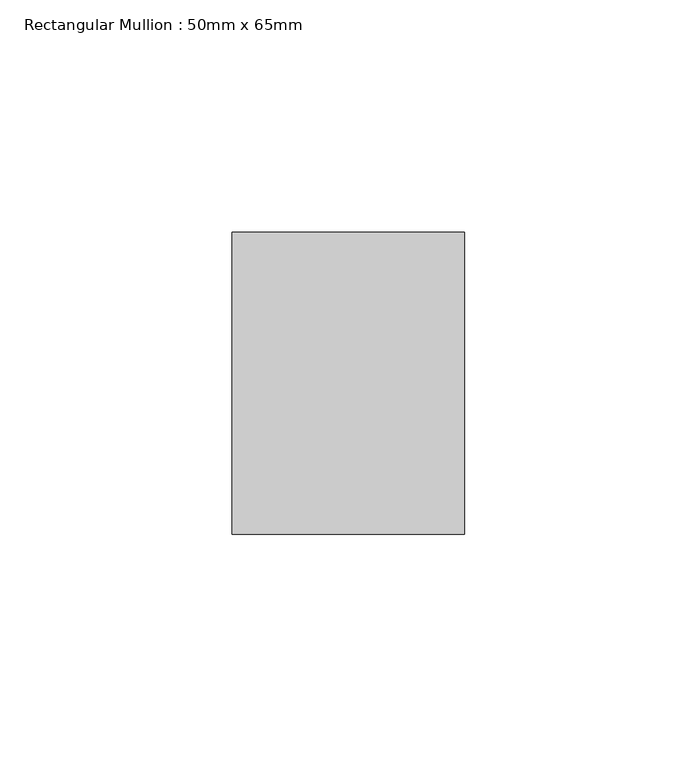
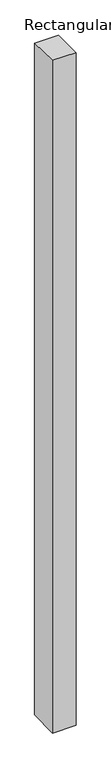
"""IFC4 building model written with IfcOpenShell, lengths in millimetres: member geometry, Rectangular Mullion : 50mm x 65mm."""

from ifc_helpers import new_model, si_unit, origin, place, context, project, spatial, faceted_brep, source, transform, mapped, element, save


def rectangular_mullion_50mm_x_65mm_179ad24a(model_context):
    return source(origin(), model_context, "Body", "Brep", [
        faceted_brep([(-25.0, 32.5, -0.6022166), (25.0, 32.5, -0.6022162), (25.0, 32.5, -1499.4365208), (-25.0, 32.5, -1499.4365204), (-25.0, -32.5, 0.6022162), (-25.0, -32.5, -1500.5639702), (25.0, -32.5, 0.6022166), (25.0, -32.5, -1500.5639706)], [[[0, 1, 2, 3]], [[4, 0, 3, 5]], [[6, 4, 5, 7]], [[1, 6, 7, 2]], [[1, 0, 4, 6]], [[2, 7, 5, 3]]]),
    ])


if __name__ == "__main__":
    model = new_model("IFC4")
    model_context = context("Model", 3, world=origin())
    ifc_project = project(units=[si_unit("LENGTHUNIT", "METRE", prefix="MILLI")], contexts=[model_context])
    site = spatial("IfcSite", under=ifc_project)
    building = spatial("IfcBuilding", under=site)
    placement = place(None, origin())
    rectangular_mullion_50mm_x_65mm_shape = rectangular_mullion_50mm_x_65mm_179ad24a(model_context)
    element("IfcMember", 1, ObjectType="Rectangular Mullion : 50mm x 65mm", at=placement, inside=building, context=model_context, shape_type="MappedRepresentation", body=[
        mapped(rectangular_mullion_50mm_x_65mm_shape, transform((0.0, 0.0, 0.0), x_axis=(1.0, 0.0, 0.0), y_axis=(0.0, 1.0, 0.0), z_axis=(0.0, 0.0, 1.0))),
    ])
    save(model, "model.ifc")
